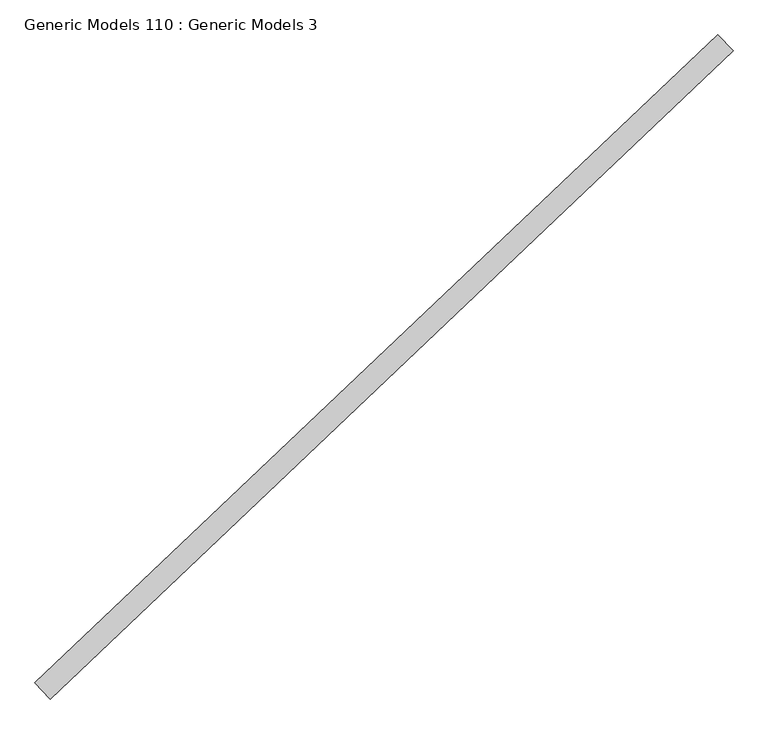
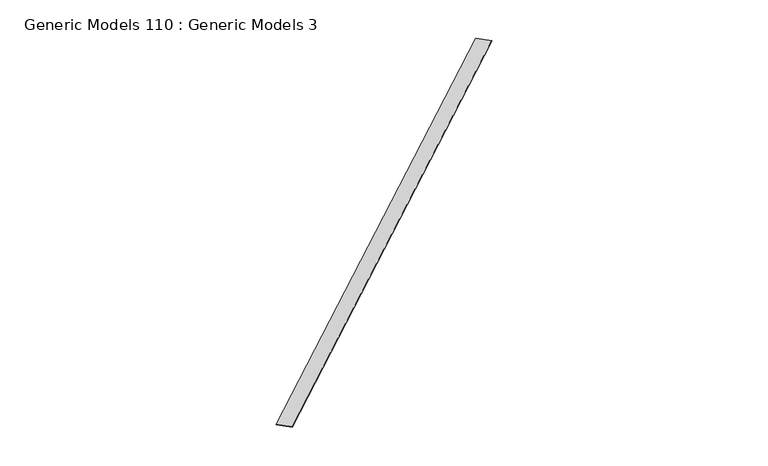
"""IFC4 building model written with IfcOpenShell, lengths in millimetres: proxy geometry, Generic Models 110 : Generic Models 3."""

from ifc_helpers import new_model, si_unit, frame, origin, place, context, project, spatial, polyline, outline, extrude, source, transform, mapped, element, save


def generic_models_110_generic_models_3_536b0b0d(model_context):
    return source(origin(), model_context, "Body", "SweptSolid", [
        extrude(outline(polyline([(105025.2282178, 45937.7211605), (105098.5683121, 45860.4368268), (101812.096515, 42741.6915418), (101738.7564207, 42818.9758756), (105025.2282178, 45937.7211605)])), frame((0.0, 0.0, 17404.7863332), z_axis=(0.0, 0.0, 1.0), x_axis=(1.0, 0.0, 0.0)), (0.0, 0.0, 1.0), 4.3704393),
    ])


if __name__ == "__main__":
    model = new_model("IFC4")
    model_context = context("Model", 3, world=origin())
    ifc_project = project(units=[si_unit("LENGTHUNIT", "METRE", prefix="MILLI")], contexts=[model_context])
    site = spatial("IfcSite", under=ifc_project)
    building = spatial("IfcBuilding", under=site)
    placement = place(None, origin())
    generic_models_110_generic_models_3_shape = generic_models_110_generic_models_3_536b0b0d(model_context)
    element("IfcBuildingElementProxy", 1, Name="Generic Models 110 : Generic Models 3", ObjectType="Generic Models 110 : Generic Models 3", at=placement, inside=building, context=model_context, shape_type="MappedRepresentation", body=[
        mapped(generic_models_110_generic_models_3_shape, transform((0.0, 0.0, 0.0), x_axis=(1.0, 0.0, 0.0), y_axis=(0.0, 1.0, 0.0), z_axis=(0.0, 0.0, 1.0))),
    ])
    save(model, "model.ifc")
